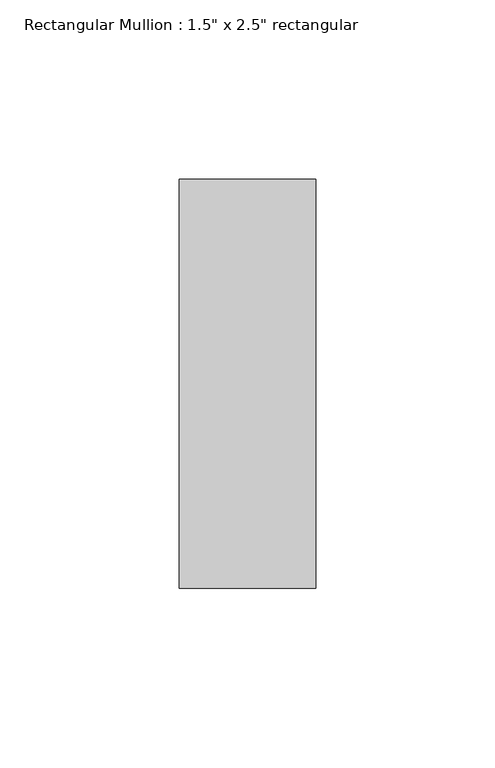
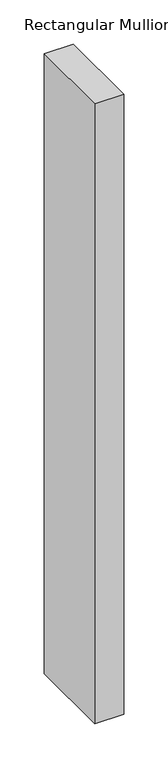
"""IFC4 building model written with IfcOpenShell, lengths in millimetres: member geometry."""

from ifc_helpers import new_model, si_unit, frame, origin, place, context, project, spatial, polyline, outline, extrude, source, transform, mapped, element, save


def member_3266e9d1(model_context):
    return source(origin(), model_context, "Body", "SweptSolid", [
        extrude(outline(polyline([(19.05, 57.15), (19.05, -57.15), (-19.05, -57.15), (-19.05, 57.15), (19.05, 57.15)])), frame((0.0, 0.0, -857.25), z_axis=(0.0, 0.0, 1.0), x_axis=(1.0, 0.0, 0.0)), (0.0, 0.0, 1.0), 857.25),
    ])


if __name__ == "__main__":
    model = new_model("IFC4")
    model_context = context("Model", 3, world=origin())
    ifc_project = project(units=[si_unit("LENGTHUNIT", "METRE", prefix="MILLI")], contexts=[model_context])
    site = spatial("IfcSite", under=ifc_project)
    building = spatial("IfcBuilding", under=site)
    placement = place(None, origin())
    member_shape = member_3266e9d1(model_context)
    element("IfcMember", 1, ObjectType="Rectangular Mullion : 1.5\" x 2.5\" rectangular", at=placement, inside=building, context=model_context, shape_type="MappedRepresentation", body=[
        mapped(member_shape, transform((0.0, 0.0, 0.0), x_axis=(1.0, 0.0, 0.0), y_axis=(0.0, 1.0, 0.0), z_axis=(0.0, 0.0, 1.0))),
    ])
    save(model, "model.ifc")
